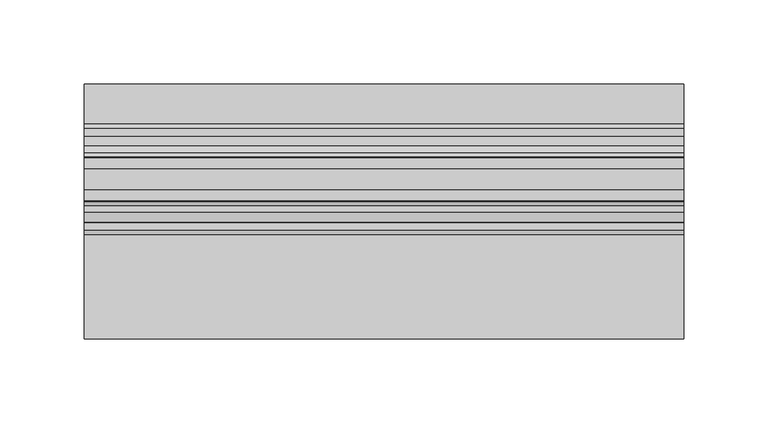
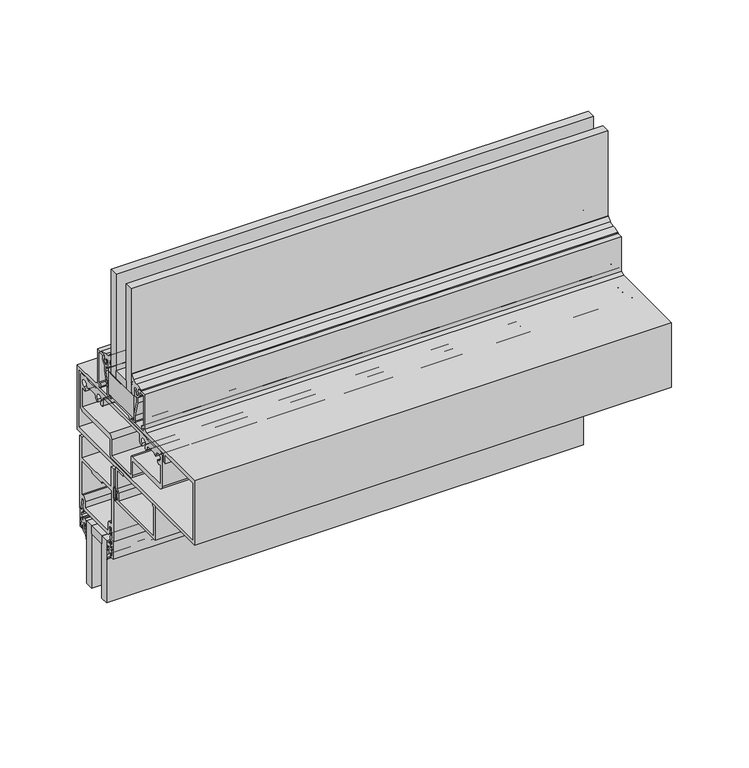
"""IFC4 building model written with IfcOpenShell, lengths in millimetres: plate geometry."""

from ifc_helpers import new_model, si_unit, point, frame, frame_2d, origin, place, context, project, spatial, polyline, circle_curve, trimmed, segment, composite_curve, outline, extrude, source, transform, mapped, element, save


def plate_48356a9e(model_context):
    return source(origin(), model_context, "Body", "SweptSolid", [
        extrude(outline(polyline([(-177.8, -19.05), (-177.8, -6.35), (177.8, -6.35), (177.8, -19.05), (-177.8, -19.05)])), frame((0.0, 0.0, 228.2472153), z_axis=(0.0, 0.0, 1.0), x_axis=(1.0, 0.0, 0.0)), (0.0, 0.0, 1.0), 6.35),
        extrude(outline(polyline([(-28.55976, 352.0722153), (-60.42152, 352.0722153), (-60.30976, 369.5347153), (-28.55976, 369.5347153), (-28.55976, 352.0722153)])), frame((-177.8, 0.0, 0.0), z_axis=(1.0, 0.0, 0.0), x_axis=(0.0, 1.0, 0.0)), (0.0, 0.0, 1.0), 355.6),
        extrude(outline(composite_curve([segment(polyline([(-34.9514484, 282.0069338), (-34.9514484, 274.0820806)]), True, "CONTINUOUS"), segment(trimmed(circle_curve(frame_2d((-36.1452484, 274.0820806)), 1.1938), [point((-34.9514484, 274.0820806))], [point((-37.3390484, 274.0820806))], False, "CARTESIAN"), True, "CONTINUOUS"), segment(polyline([(-37.3390484, 274.0820806), (-37.3390484, 276.0881992), (-38.31675, 276.0881992), (-38.31675, 274.6149992), (-39.2186484, 274.6149992), (-39.2186484, 276.4691992), (-37.7962484, 276.4691992), (-37.7962484, 279.6187992), (-39.2186484, 279.6187992), (-39.2186484, 281.4729992), (-38.31675, 281.4729992), (-38.31675, 279.9997992), (-37.3390484, 279.9997992), (-37.3390484, 282.0069338)]), True, "CONTINUOUS"), segment(trimmed(circle_curve(frame_2d((-36.1452484, 282.0069338)), 1.1938), [point((-37.3390484, 282.0069338))], [point((-34.9514484, 282.0069338))], False, "CARTESIAN"), True, "CONTINUOUS")], self_intersect=False), holes=[composite_curve([segment(trimmed(circle_curve(frame_2d((-36.1452484, 282.0069338)), 0.6858), [point((-35.4594484, 282.0069338))], [point((-36.8310484, 282.0069338))], True, "CARTESIAN"), True, "CONTINUOUS"), segment(polyline([(-36.8310484, 282.0069338), (-36.8310484, 274.0820806)]), True, "CONTINUOUS"), segment(trimmed(circle_curve(frame_2d((-36.1452484, 274.0820806)), 0.6858), [point((-36.8310484, 274.0820806))], [point((-35.4594484, 274.0820806))], True, "CARTESIAN"), True, "CONTINUOUS"), segment(polyline([(-35.4594484, 274.0820806), (-35.4594484, 282.0069338)]), True, "CONTINUOUS")], self_intersect=False)]), frame((-177.8, 0.0, 0.0), z_axis=(1.0, 0.0, 0.0), x_axis=(0.0, 1.0, 0.0)), (0.0, 0.0, 1.0), 355.6),
        extrude(outline(polyline([(-177.8, -50.78476), (-177.8, -38.08476), (177.8, -38.08476), (177.8, -50.78476), (-177.8, -50.78476)])), frame((0.0, 0.0, 369.5347153), z_axis=(0.0, 0.0, 1.0), x_axis=(1.0, 0.0, 0.0)), (0.0, 0.0, 1.0), 6.35),
        extrude(outline(polyline([(-177.8, -38.08476), (-177.8, -31.73476), (177.8, -31.73476), (177.8, -38.08476), (-177.8, -38.08476)])), frame((0.0, 0.0, 369.5347153), z_axis=(0.0, 0.0, 1.0), x_axis=(1.0, 0.0, 0.0)), (0.0, 0.0, 1.0), 82.55),
        extrude(outline(polyline([(-177.8, -57.13476), (-177.8, -50.78476), (177.8, -50.78476), (177.8, -57.13476), (-177.8, -57.13476)])), frame((0.0, 0.0, 369.5347153), z_axis=(0.0, 0.0, 1.0), x_axis=(1.0, 0.0, 0.0)), (0.0, 0.0, 1.0), 82.55),
        extrude(outline(composite_curve([segment(trimmed(circle_curve(frame_2d((-26.53284, 376.8225309)), 0.508), [point((-27.04084, 376.8225309))], [point((-26.53284, 377.3305309))], False, "CARTESIAN"), True, "CONTINUOUS"), segment(polyline([(-26.53284, 377.3305309), (-25.28824, 377.3305309), (-25.28824, 376.5177309), (-26.0744494, 376.5177309), (-26.0744494, 375.7170136), (-25.366918, 372.4938153), (-23.89124, 372.4938153), (-22.01164, 374.3663756), (-22.01164, 376.4562153), (-22.9245776, 376.4562153), (-22.0094079, 379.0597153), (-14.34084, 379.0597153), (-14.34084, 352.0737406), (-16.8499731, 352.0737406), (-16.0527957, 350.6967979), (-16.7337794, 350.0158142)]), True, "CONTINUOUS"), segment(trimmed(circle_curve(frame_2d((-17.0908829, 350.3771189)), 0.508), [point((-16.7337794, 350.0158142))], [point((-17.5681526, 350.2031143))], False, "CARTESIAN"), True, "CONTINUOUS"), segment(polyline([(-17.5681526, 350.2031143), (-18.0039712, 351.3985022)]), True, "CONTINUOUS"), segment(trimmed(circle_curve(frame_2d((-16.6437524, 351.8944153)), 1.4478), [point((-18.0039712, 351.3985022))], [point((-16.6437524, 353.3422153))], False, "CARTESIAN"), True, "CONTINUOUS"), segment(polyline([(-16.6437524, 353.3422153), (-15.61084, 353.3422153), (-15.61084, 377.7897153), (-20.10664, 377.7897153)]), True, "CONTINUOUS"), segment(trimmed(circle_curve(frame_2d((-20.10664, 377.1547153)), 0.635), [point((-20.10664, 377.7897153))], [point((-20.74164, 377.1547153))], True, "CARTESIAN"), True, "CONTINUOUS"), segment(polyline([(-20.74164, 377.1547153), (-20.74164, 374.6354421)]), True, "CONTINUOUS"), segment(trimmed(circle_curve(frame_2d((-22.64664, 374.6354421)), 1.905), [point((-20.74164, 374.6354421))], [point((-21.2996016, 373.2884037))], False, "CARTESIAN"), True, "CONTINUOUS"), segment(polyline([(-21.2996016, 373.2884037), (-23.2309035, 371.3571018), (-23.2309035, 367.2949535), (-26.4249535, 355.5538035), (-26.4249535, 350.8784153)]), True, "CONTINUOUS"), segment(trimmed(circle_curve(frame_2d((-27.6949535, 350.8784153)), 1.27), [point((-26.4249535, 350.8784153))], [point((-27.6949535, 349.6084153))], False, "CARTESIAN"), True, "CONTINUOUS"), segment(polyline([(-27.6949535, 349.6084153), (-30.8636035, 349.6084153)]), True, "CONTINUOUS"), segment(trimmed(circle_curve(frame_2d((-30.8636035, 349.9894153)), 0.381), [point((-30.8636035, 349.6084153))], [point((-30.9828618, 350.3512695))], False, "CARTESIAN"), True, "CONTINUOUS"), segment(polyline([(-30.9828618, 350.3512695), (-27.6949535, 351.2340153), (-27.6949535, 355.7234653), (-24.5009035, 367.4646153), (-24.5009035, 371.4754927), (-26.07564, 371.4754927), (-26.07564, 370.6650153)]), True, "CONTINUOUS"), segment(trimmed(circle_curve(frame_2d((-26.07564, 371.6302153)), 0.9652), [point((-26.07564, 370.6650153))], [point((-27.04084, 371.6302153))], False, "CARTESIAN"), True, "CONTINUOUS"), segment(polyline([(-27.04084, 371.6302153), (-27.04084, 376.8225309)]), True, "CONTINUOUS")], self_intersect=False)), frame((-177.8, 0.0, 0.0), z_axis=(1.0, 0.0, 0.0), x_axis=(0.0, 1.0, 0.0)), (0.0, 0.0, 1.0), 355.6),
        extrude(outline(composite_curve([segment(polyline([(-61.8998, 376.8225309), (-61.8998, 371.6302153)]), True, "CONTINUOUS"), segment(trimmed(circle_curve(frame_2d((-62.865, 371.6302153)), 0.9652), [point((-61.8998, 371.6302153))], [point((-62.865, 370.6650153))], False, "CARTESIAN"), True, "CONTINUOUS"), segment(polyline([(-62.865, 370.6650153), (-62.865, 371.4754927), (-64.4397365, 371.4754927), (-64.4397365, 367.4646153), (-61.2456865, 355.7234653), (-61.2456865, 351.2340153), (-57.9577782, 350.3512695)]), True, "CONTINUOUS"), segment(trimmed(circle_curve(frame_2d((-58.0770365, 349.9894153)), 0.381), [point((-57.9577782, 350.3512695))], [point((-58.0770365, 349.6084153))], False, "CARTESIAN"), True, "CONTINUOUS"), segment(polyline([(-58.0770365, 349.6084153), (-61.2456865, 349.6084153)]), True, "CONTINUOUS"), segment(trimmed(circle_curve(frame_2d((-61.2456865, 350.8784153)), 1.27), [point((-61.2456865, 349.6084153))], [point((-62.5156865, 350.8784153))], False, "CARTESIAN"), True, "CONTINUOUS"), segment(polyline([(-62.5156865, 350.8784153), (-62.5156865, 355.5538035), (-65.7097365, 367.2949535), (-65.7097365, 371.3571018), (-67.6410384, 373.2884037)]), True, "CONTINUOUS"), segment(trimmed(circle_curve(frame_2d((-66.294, 374.6354421)), 1.905), [point((-67.6410384, 373.2884037))], [point((-68.199, 374.6354421))], False, "CARTESIAN"), True, "CONTINUOUS"), segment(polyline([(-68.199, 374.6354421), (-68.199, 377.1547153)]), True, "CONTINUOUS"), segment(trimmed(circle_curve(frame_2d((-68.834, 377.1547153)), 0.635), [point((-68.199, 377.1547153))], [point((-68.834, 377.7897153))], True, "CARTESIAN"), True, "CONTINUOUS"), segment(polyline([(-68.834, 377.7897153), (-73.3298, 377.7897153), (-73.3298, 353.3422153), (-72.2968876, 353.3422153)]), True, "CONTINUOUS"), segment(trimmed(circle_curve(frame_2d((-72.2968876, 351.8944153)), 1.4478), [point((-72.2968876, 353.3422153))], [point((-70.9366688, 351.3985022))], False, "CARTESIAN"), True, "CONTINUOUS"), segment(polyline([(-70.9366688, 351.3985022), (-71.3724874, 350.2031143)]), True, "CONTINUOUS"), segment(trimmed(circle_curve(frame_2d((-71.8497571, 350.3771189)), 0.508), [point((-71.3724874, 350.2031143))], [point((-72.2068606, 350.0158142))], False, "CARTESIAN"), True, "CONTINUOUS"), segment(polyline([(-72.2068606, 350.0158142), (-72.8878443, 350.6967979), (-72.0906669, 352.0737406), (-74.5998, 352.0737406), (-74.5998, 379.0597153), (-66.9312321, 379.0597153), (-66.0160624, 376.4562153), (-66.929, 376.4562153), (-66.929, 374.3663756), (-65.0494, 372.4938153), (-63.573722, 372.4938153), (-62.8661906, 375.7170136), (-62.8661906, 376.5177309), (-63.6524, 376.5177309), (-63.6524, 377.3305309), (-62.4078, 377.3305309)]), True, "CONTINUOUS"), segment(trimmed(circle_curve(frame_2d((-62.4078, 376.8225309)), 0.508), [point((-62.4078, 377.3305309))], [point((-61.8998, 376.8225309))], False, "CARTESIAN"), True, "CONTINUOUS")], self_intersect=False)), frame((-177.8, 0.0, 0.0), z_axis=(1.0, 0.0, 0.0), x_axis=(0.0, 1.0, 0.0)), (0.0, 0.0, 1.0), 355.6),
        extrude(outline(composite_curve([segment(trimmed(circle_curve(frame_2d((-41.3231693, 374.5867579)), 11.8511576), [point((-29.7708477, 377.2313378))], [point((-30.3269833, 379.0064672))], True, "CARTESIAN"), True, "CONTINUOUS"), segment(polyline([(-30.3269833, 379.0064672), (-31.3049643, 380.528582)]), True, "CONTINUOUS"), segment(trimmed(circle_curve(frame_2d((-29.6975601, 381.7608857)), 2.0254186), [point((-31.3049643, 380.528582))], [point((-31.7203248, 381.6572349))], False, "CARTESIAN"), True, "CONTINUOUS"), segment(polyline([(-31.7203248, 381.6572349), (-31.7604501, 384.9398531)]), True, "CONTINUOUS"), segment(trimmed(circle_curve(frame_2d((-31.3635751, 384.9398531)), 0.396875), [point((-31.7604501, 384.9398531))], [point((-31.1017191, 385.2380832))], False, "CARTESIAN"), True, "CONTINUOUS"), segment(polyline([(-31.1017191, 385.2380832), (-28.6746142, 382.4201915)]), True, "CONTINUOUS"), segment(trimmed(circle_curve(frame_2d((-25.3990316, 385.8820309)), 4.765897), [point((-28.6746142, 382.4201915))], [point((-24.773541, 381.1573579))], True, "CARTESIAN"), True, "CONTINUOUS"), segment(trimmed(circle_curve(frame_2d((-24.3996105, 368.9668204)), 12.196271), [point((-24.773541, 381.1573579))], [point((-18.8809594, 379.8431028))], False, "CARTESIAN"), True, "CONTINUOUS"), segment(polyline([(-18.8809594, 379.8431028), (-18.6246596, 379.0554604), (-20.5437533, 379.1311821), (-22.168156, 379.0012681), (-23.0295405, 376.2948547), (-22.2436855, 376.1701754), (-23.1142597, 375.1755258), (-22.3637178, 374.9366468), (-23.8643895, 373.1755062), (-25.4974971, 374.6122187), (-24.7156286, 375.1533533), (-25.5440369, 376.0998275), (-24.5686701, 376.2217125), (-25.1259663, 377.5835919), (-26.988974, 377.5835919), (-26.988974, 375.1527405)]), True, "CONTINUOUS"), segment(trimmed(circle_curve(frame_2d((-44.4519506, 376.4603355)), 17.5118633), [point((-26.988974, 375.1527405))], [point((-28.0362785, 370.3618876))], False, "CARTESIAN"), True, "CONTINUOUS"), segment(trimmed(circle_curve(frame_2d((-29.3394094, 370.8573418)), 1.3941395), [point((-28.0362785, 370.3618876))], [point((-30.6425403, 370.3618876))], False, "CARTESIAN"), True, "CONTINUOUS"), segment(trimmed(circle_curve(frame_2d((-12.6037128, 376.9366907)), 19.1996701), [point((-30.6425403, 370.3618876))], [point((-31.7203248, 375.1527405))], False, "CARTESIAN"), True, "CONTINUOUS"), segment(polyline([(-31.7203248, 375.1527405), (-31.7203248, 378.5625793)]), True, "CONTINUOUS"), segment(trimmed(circle_curve(frame_2d((-31.3978395, 378.5509624)), 0.3226944), [point((-31.7203248, 378.5625793))], [point((-31.0890698, 378.4571917))], False, "CARTESIAN"), True, "CONTINUOUS"), segment(polyline([(-31.0890698, 378.4571917), (-30.0112297, 374.4176171)]), True, "CONTINUOUS"), segment(trimmed(circle_curve(frame_2d((-29.7171669, 374.5499125)), 0.3224516), [point((-30.0112297, 374.4176171))], [point((-29.3978944, 374.5950802))], True, "CARTESIAN"), True, "CONTINUOUS"), segment(polyline([(-29.3978944, 374.5950802), (-29.7708477, 377.2313378)]), True, "CONTINUOUS")], self_intersect=False)), frame((-177.8, 0.0, 0.0), z_axis=(1.0, 0.0, 0.0), x_axis=(0.0, 1.0, 0.0)), (0.0, 0.0, 1.0), 355.6),
        extrude(outline(composite_curve([segment(polyline([(-59.1575003, 377.2313378), (-59.5304536, 374.5950802)]), True, "CONTINUOUS"), segment(trimmed(circle_curve(frame_2d((-59.2111811, 374.5499125)), 0.3224516), [point((-59.5304536, 374.5950802))], [point((-58.9171182, 374.4176171))], True, "CARTESIAN"), True, "CONTINUOUS"), segment(polyline([(-58.9171182, 374.4176171), (-57.8392782, 378.4571917)]), True, "CONTINUOUS"), segment(trimmed(circle_curve(frame_2d((-57.5305084, 378.5509624)), 0.3226944), [point((-57.8392782, 378.4571917))], [point((-57.2080232, 378.5625793))], False, "CARTESIAN"), True, "CONTINUOUS"), segment(polyline([(-57.2080232, 378.5625793), (-57.2080232, 375.1527405)]), True, "CONTINUOUS"), segment(trimmed(circle_curve(frame_2d((-76.3246351, 376.9366907)), 19.1996701), [point((-57.2080232, 375.1527405))], [point((-58.2858077, 370.3618876))], False, "CARTESIAN"), True, "CONTINUOUS"), segment(trimmed(circle_curve(frame_2d((-59.5889386, 370.8573418)), 1.3941395), [point((-58.2858077, 370.3618876))], [point((-60.8920694, 370.3618876))], False, "CARTESIAN"), True, "CONTINUOUS"), segment(trimmed(circle_curve(frame_2d((-44.4763974, 376.4603355)), 17.5118633), [point((-60.8920694, 370.3618876))], [point((-61.939374, 375.1527405))], False, "CARTESIAN"), True, "CONTINUOUS"), segment(polyline([(-61.939374, 375.1527405), (-61.939374, 377.5835919), (-63.8023816, 377.5835919), (-64.3596778, 376.2217125), (-63.3843111, 376.0998275), (-64.2127194, 375.1533533), (-63.4308508, 374.6122187), (-65.0639585, 373.1755062), (-66.5646302, 374.9366468), (-65.8140882, 375.1755258), (-66.6846624, 376.1701754), (-65.8988075, 376.2948547), (-66.760192, 379.0012681), (-68.3845946, 379.1311821), (-70.3036883, 379.0554604), (-70.0473886, 379.8431028)]), True, "CONTINUOUS"), segment(trimmed(circle_curve(frame_2d((-64.5287375, 368.9668204)), 12.196271), [point((-70.0473886, 379.8431028))], [point((-64.154807, 381.1573579))], False, "CARTESIAN"), True, "CONTINUOUS"), segment(trimmed(circle_curve(frame_2d((-63.5293164, 385.8820309)), 4.765897), [point((-64.154807, 381.1573579))], [point((-60.2537337, 382.4201915))], True, "CARTESIAN"), True, "CONTINUOUS"), segment(polyline([(-60.2537337, 382.4201915), (-57.8266289, 385.2380832)]), True, "CONTINUOUS"), segment(trimmed(circle_curve(frame_2d((-57.5647728, 384.9398531)), 0.396875), [point((-57.8266289, 385.2380832))], [point((-57.1678978, 384.9398531))], False, "CARTESIAN"), True, "CONTINUOUS"), segment(polyline([(-57.1678978, 384.9398531), (-57.2080232, 381.6572349)]), True, "CONTINUOUS"), segment(trimmed(circle_curve(frame_2d((-59.2307879, 381.7608857)), 2.0254186), [point((-57.2080232, 381.6572349))], [point((-57.6233837, 380.528582))], False, "CARTESIAN"), True, "CONTINUOUS"), segment(polyline([(-57.6233837, 380.528582), (-58.6013647, 379.0064672)]), True, "CONTINUOUS"), segment(trimmed(circle_curve(frame_2d((-47.6051787, 374.5867579)), 11.8511576), [point((-58.6013647, 379.0064672))], [point((-59.1575003, 377.2313378))], True, "CARTESIAN"), True, "CONTINUOUS")], self_intersect=False)), frame((-177.8, 0.0, 0.0), z_axis=(1.0, 0.0, 0.0), x_axis=(0.0, 1.0, 0.0)), (0.0, 0.0, 1.0), 355.6),
        extrude(outline(polyline([(-177.8, -6.35), (-177.8, 0.0), (177.8, 0.0), (177.8, -6.35), (-177.8, -6.35)])), frame((0.0, 0.0, 185.3847153), z_axis=(0.0, 0.0, 1.0), x_axis=(1.0, 0.0, 0.0)), (0.0, 0.0, 1.0), 49.2125),
        extrude(outline(polyline([(-177.8, -25.4), (-177.8, -19.05), (177.8, -19.05), (177.8, -25.4), (-177.8, -25.4)])), frame((0.0, 0.0, 185.3847153), z_axis=(0.0, 0.0, 1.0), x_axis=(1.0, 0.0, 0.0)), (0.0, 0.0, 1.0), 49.2125),
        extrude(outline(composite_curve([segment(polyline([(1.2146236, 224.1668549), (3.6195019, 226.441875), (3.6195019, 229.8085062)]), True, "CONTINUOUS"), segment(trimmed(circle_curve(frame_2d((3.9370017, 230.1634821)), 0.47625), [point((3.6195019, 229.8085062))], [point((3.619501, 230.5184573))], True, "CARTESIAN"), True, "CONTINUOUS"), segment(polyline([(3.619501, 230.5184573), (3.619501, 232.1014932)]), True, "CONTINUOUS"), segment(trimmed(circle_curve(frame_2d((3.1116463, 230.6961156)), 1.4943235), [point((3.619501, 232.1014932))], [point((1.6174209, 230.7132378))], True, "CARTESIAN"), True, "CONTINUOUS"), segment(polyline([(1.6174209, 230.7132378), (0.5798898, 227.3784529)]), True, "CONTINUOUS"), segment(trimmed(circle_curve(frame_2d((0.2963183, 227.4666787)), 0.2969791), [point((0.5798898, 227.3784529))], [point((0.0, 227.4468787))], False, "CARTESIAN"), True, "CONTINUOUS"), segment(polyline([(0.0, 227.4468787), (0.0, 231.4945487)]), True, "CONTINUOUS"), segment(trimmed(circle_curve(frame_2d((2.8819649, 231.6470304)), 2.8859959), [point((0.0, 231.4945487))], [point((2.7993723, 234.5318442))], False, "CARTESIAN"), True, "CONTINUOUS"), segment(polyline([(2.7993723, 234.5318442), (3.619501, 234.5553246), (4.7625003, 234.5553246), (4.7625003, 231.6366833), (6.1341013, 231.6366833), (6.1341013, 232.9495122)]), True, "CONTINUOUS"), segment(trimmed(circle_curve(frame_2d((6.4896997, 233.2368817)), 0.4571996), [point((6.1341013, 232.9495122))], [point((6.9468994, 233.2368817))], False, "CARTESIAN"), True, "CONTINUOUS"), segment(polyline([(6.9468994, 233.2368817), (6.9468994, 231.1690889)]), True, "CONTINUOUS"), segment(trimmed(circle_curve(frame_2d((6.4706494, 231.1186463)), 0.4789139), [point((6.9468994, 231.1690889))], [point((6.4706494, 230.6397324))], False, "CARTESIAN"), True, "CONTINUOUS"), segment(trimmed(circle_curve(frame_2d((6.4706494, 230.1634824)), 0.47625), [point((6.4706494, 230.6397324))], [point((6.4706494, 229.6872324))], True, "CARTESIAN"), True, "CONTINUOUS"), segment(trimmed(circle_curve(frame_2d((6.3248962, 229.0825474)), 0.6220032), [point((6.4706494, 229.6872324))], [point((6.9468994, 229.0825474))], False, "CARTESIAN"), True, "CONTINUOUS"), segment(polyline([(6.9468994, 229.0825474), (6.9468994, 227.090083)]), True, "CONTINUOUS"), segment(trimmed(circle_curve(frame_2d((6.4896997, 227.090083)), 0.4571996), [point((6.9468994, 227.090083))], [point((6.134102, 227.3774534))], False, "CARTESIAN"), True, "CONTINUOUS"), segment(polyline([(6.134102, 227.3774534), (6.134102, 228.6902967), (4.7625003, 228.6902967), (4.7625003, 224.8186093), (1.4889495, 222.3173972)]), True, "CONTINUOUS"), segment(trimmed(circle_curve(frame_2d((3.0879023, 220.3444968)), 2.5394854), [point((1.4889495, 222.3173972))], [point((0.5496136, 220.2665423))], True, "CARTESIAN"), True, "CONTINUOUS"), segment(trimmed(circle_curve(frame_2d((0.2748716, 220.2581045)), 0.2748716), [point((0.5496136, 220.2665423))], [point((0.0, 220.2581045))], False, "CARTESIAN"), True, "CONTINUOUS"), segment(polyline([(0.0, 220.2581045), (0.0, 221.9713282)]), True, "CONTINUOUS"), segment(trimmed(circle_curve(frame_2d((3.0412561, 221.7225691)), 3.0514128), [point((0.0, 221.9713282))], [point((1.2146236, 224.1668549))], False, "CARTESIAN"), True, "CONTINUOUS")], self_intersect=False)), frame((-177.8, 0.0, 0.0), z_axis=(1.0, 0.0, 0.0), x_axis=(0.0, 1.0, 0.0)), (0.0, 0.0, 1.0), 355.6),
        extrude(outline(composite_curve([segment(trimmed(circle_curve(frame_2d((-28.4412561, 221.7225691)), 3.0514128), [point((-26.6146236, 224.1668549))], [point((-25.4, 221.9713282))], False, "CARTESIAN"), True, "CONTINUOUS"), segment(polyline([(-25.4, 221.9713282), (-25.4, 220.2581045)]), True, "CONTINUOUS"), segment(trimmed(circle_curve(frame_2d((-25.6748716, 220.2581045)), 0.2748716), [point((-25.4, 220.2581045))], [point((-25.9496136, 220.2665423))], False, "CARTESIAN"), True, "CONTINUOUS"), segment(trimmed(circle_curve(frame_2d((-28.4879023, 220.3444968)), 2.5394854), [point((-25.9496136, 220.2665423))], [point((-26.8889495, 222.3173972))], True, "CARTESIAN"), True, "CONTINUOUS"), segment(polyline([(-26.8889495, 222.3173972), (-30.1625003, 224.8186093), (-30.1625003, 228.6902967), (-31.534102, 228.6902967), (-31.534102, 227.3774534)]), True, "CONTINUOUS"), segment(trimmed(circle_curve(frame_2d((-31.8896997, 227.090083)), 0.4571996), [point((-31.534102, 227.3774534))], [point((-32.3468994, 227.090083))], False, "CARTESIAN"), True, "CONTINUOUS"), segment(polyline([(-32.3468994, 227.090083), (-32.3468994, 229.0825474)]), True, "CONTINUOUS"), segment(trimmed(circle_curve(frame_2d((-31.7248962, 229.0825474)), 0.6220032), [point((-32.3468994, 229.0825474))], [point((-31.8706494, 229.6872324))], False, "CARTESIAN"), True, "CONTINUOUS"), segment(trimmed(circle_curve(frame_2d((-31.8706494, 230.1634824)), 0.47625), [point((-31.8706494, 229.6872324))], [point((-31.8706494, 230.6397324))], True, "CARTESIAN"), True, "CONTINUOUS"), segment(trimmed(circle_curve(frame_2d((-31.8706494, 231.1186463)), 0.4789139), [point((-31.8706494, 230.6397324))], [point((-32.3468994, 231.1690889))], False, "CARTESIAN"), True, "CONTINUOUS"), segment(polyline([(-32.3468994, 231.1690889), (-32.3468994, 233.2368817)]), True, "CONTINUOUS"), segment(trimmed(circle_curve(frame_2d((-31.8896997, 233.2368817)), 0.4571996), [point((-32.3468994, 233.2368817))], [point((-31.5341013, 232.9495122))], False, "CARTESIAN"), True, "CONTINUOUS"), segment(polyline([(-31.5341013, 232.9495122), (-31.5341013, 231.6366833), (-30.1625, 231.6366833), (-30.1625, 234.5553246), (-29.019501, 234.5553246), (-28.1993723, 234.5318442)]), True, "CONTINUOUS"), segment(trimmed(circle_curve(frame_2d((-28.2819649, 231.6470304)), 2.8859959), [point((-28.1993723, 234.5318442))], [point((-25.4, 231.4945487))], False, "CARTESIAN"), True, "CONTINUOUS"), segment(polyline([(-25.4, 231.4945487), (-25.4, 227.4468787)]), True, "CONTINUOUS"), segment(trimmed(circle_curve(frame_2d((-25.6963183, 227.4666787)), 0.2969791), [point((-25.4, 227.4468787))], [point((-25.9798898, 227.3784529))], False, "CARTESIAN"), True, "CONTINUOUS"), segment(polyline([(-25.9798898, 227.3784529), (-27.0174209, 230.7132378)]), True, "CONTINUOUS"), segment(trimmed(circle_curve(frame_2d((-28.5116463, 230.6961156)), 1.4943235), [point((-27.0174209, 230.7132378))], [point((-29.019501, 232.1014932))], True, "CARTESIAN"), True, "CONTINUOUS"), segment(polyline([(-29.019501, 232.1014932), (-29.019501, 230.5184573)]), True, "CONTINUOUS"), segment(trimmed(circle_curve(frame_2d((-29.3370017, 230.1634821)), 0.47625), [point((-29.019501, 230.5184573))], [point((-29.0195019, 229.8085062))], True, "CARTESIAN"), True, "CONTINUOUS"), segment(polyline([(-29.0195019, 229.8085062), (-29.0195019, 226.441875), (-26.6146236, 224.1668549)]), True, "CONTINUOUS")], self_intersect=False)), frame((-177.8, 0.0, 0.0), z_axis=(1.0, 0.0, 0.0), x_axis=(0.0, 1.0, 0.0)), (0.0, 0.0, 1.0), 355.6),
        extrude(outline(composite_curve([segment(polyline([(-34.1276564, 225.054114), (-34.0673249, 239.3189972), (-31.6471876, 239.3189972), (-31.6471876, 240.9511946), (-32.4372227, 240.8401624), (-31.0981976, 248.2731186), (-29.8175355, 248.149978), (-30.9128526, 242.0698506)]), True, "CONTINUOUS"), segment(trimmed(circle_curve(frame_2d((-31.7464064, 240.8551464)), 1.4732), [point((-30.9128526, 242.0698506))], [point((-30.2732064, 240.8551464))], False, "CARTESIAN"), True, "CONTINUOUS"), segment(polyline([(-30.2732064, 240.8551464), (-30.2732064, 239.341614)]), True, "CONTINUOUS"), segment(trimmed(circle_curve(frame_2d((-31.7464064, 239.341614)), 1.4732), [point((-30.2732064, 239.341614))], [point((-31.7464064, 237.868414))], False, "CARTESIAN"), True, "CONTINUOUS"), segment(polyline([(-31.7464064, 237.868414), (-32.6544564, 237.868414), (-32.6544564, 235.087114), (-30.1589064, 235.087114), (-30.1589064, 233.067814)]), True, "CONTINUOUS"), segment(trimmed(circle_curve(frame_2d((-30.9717064, 233.067814)), 0.8128), [point((-30.1589064, 233.067814))], [point((-31.1749064, 232.2808238))], False, "CARTESIAN"), True, "CONTINUOUS"), segment(polyline([(-31.1749064, 232.2808238), (-31.1749064, 233.817114), (-32.5401564, 233.817114), (-32.5401564, 226.324114), (-31.1749064, 226.324114), (-31.1749064, 227.8858042)]), True, "CONTINUOUS"), segment(trimmed(circle_curve(frame_2d((-30.9717064, 227.098814)), 0.8128), [point((-31.1749064, 227.8858042))], [point((-30.1589064, 227.098814))], False, "CARTESIAN"), True, "CONTINUOUS"), segment(polyline([(-30.1589064, 227.098814), (-30.2859064, 225.054114), (-34.1276564, 225.054114)]), True, "CONTINUOUS")], self_intersect=False)), frame((-177.8, 0.0, 0.0), z_axis=(1.0, 0.0, 0.0), x_axis=(0.0, 1.0, 0.0)), (0.0, 0.0, 1.0), 355.6),
        extrude(outline(composite_curve([segment(polyline([(8.7276564, 225.054114), (4.8859064, 225.054114), (4.7589064, 227.098814)]), True, "CONTINUOUS"), segment(trimmed(circle_curve(frame_2d((5.5717064, 227.098814)), 0.8128), [point((4.7589064, 227.098814))], [point((5.7749064, 227.8858042))], False, "CARTESIAN"), True, "CONTINUOUS"), segment(polyline([(5.7749064, 227.8858042), (5.7749064, 226.324114), (7.1401564, 226.324114), (7.1401564, 233.817114), (5.7749064, 233.817114), (5.7749064, 232.2808238)]), True, "CONTINUOUS"), segment(trimmed(circle_curve(frame_2d((5.5717064, 233.067814)), 0.8128), [point((5.7749064, 232.2808238))], [point((4.7589064, 233.067814))], False, "CARTESIAN"), True, "CONTINUOUS"), segment(polyline([(4.7589064, 233.067814), (4.7589064, 235.087114), (7.2544564, 235.087114), (7.2544564, 237.868414), (6.3464064, 237.868414)]), True, "CONTINUOUS"), segment(trimmed(circle_curve(frame_2d((6.3464064, 239.341614)), 1.4732), [point((6.3464064, 237.868414))], [point((4.8732064, 239.341614))], False, "CARTESIAN"), True, "CONTINUOUS"), segment(polyline([(4.8732064, 239.341614), (4.8732064, 240.8551464)]), True, "CONTINUOUS"), segment(trimmed(circle_curve(frame_2d((6.3464064, 240.8551464)), 1.4732), [point((4.8732064, 240.8551464))], [point((5.5128526, 242.0698506))], False, "CARTESIAN"), True, "CONTINUOUS"), segment(polyline([(5.5128526, 242.0698506), (4.4175355, 248.149978), (5.6981976, 248.2731186), (7.0372227, 240.8401624), (6.2471876, 240.9511946), (6.2471876, 239.3189972), (8.6673249, 239.3189972), (8.7276564, 225.054114)]), True, "CONTINUOUS")], self_intersect=False)), frame((-177.8, 0.0, 0.0), z_axis=(1.0, 0.0, 0.0), x_axis=(0.0, 1.0, 0.0)), (0.0, 0.0, 1.0), 355.6),
        extrude(outline(composite_curve([segment(trimmed(circle_curve(frame_2d((-37.7503057, 280.7617153)), 0.4318), [point((-37.3185057, 280.7617153))], [point((-38.1499445, 280.9252391))], False, "CARTESIAN"), True, "CONTINUOUS"), segment(trimmed(circle_curve(frame_2d((-38.7270055, 281.1613602)), 0.6235002), [point((-38.1499445, 280.9252391))], [point((-39.3505057, 281.1613602))], True, "CARTESIAN"), True, "CONTINUOUS"), segment(polyline([(-39.3505057, 281.1613602), (-39.3505057, 274.8689153)]), True, "CONTINUOUS"), segment(trimmed(circle_curve(frame_2d((-38.7375622, 274.9629884)), 0.6201205), [point((-39.3505057, 274.8689153))], [point((-38.155562, 275.1770563))], True, "CARTESIAN"), True, "CONTINUOUS"), segment(trimmed(circle_curve(frame_2d((-37.7503057, 275.3261153)), 0.4318), [point((-38.155562, 275.1770563))], [point((-37.3185057, 275.3261153))], False, "CARTESIAN"), True, "CONTINUOUS"), segment(polyline([(-37.3185057, 275.3261153), (-37.3185057, 273.4973153)]), True, "CONTINUOUS"), segment(trimmed(circle_curve(frame_2d((-38.1059057, 273.4973153)), 0.7874), [point((-37.3185057, 273.4973153))], [point((-38.1059057, 272.7099153))], False, "CARTESIAN"), True, "CONTINUOUS"), segment(polyline([(-38.1059057, 272.7099153), (-88.1185431, 272.7099153), (-88.1185431, 299.6847153), (-84.9588588, 299.6847153), (-84.9588588, 298.1099153), (-86.5437431, 298.1099153), (-86.5437431, 275.0975153), (-40.9406588, 275.0975153), (-40.9406588, 281.2189153)]), True, "CONTINUOUS"), segment(trimmed(circle_curve(frame_2d((-38.7816588, 281.2189153)), 2.159), [point((-40.9406588, 281.2189153))], [point((-38.9086588, 283.3741768))], False, "CARTESIAN"), True, "CONTINUOUS"), segment(polyline([(-38.9086588, 283.3741768), (-38.9086588, 298.1099153), (-46.8435431, 298.1099153), (-46.8435431, 299.6847153), (-37.3185057, 299.6847153), (-37.3185057, 280.7617153)]), True, "CONTINUOUS")], self_intersect=False)), frame((-177.8, 0.0, 0.0), z_axis=(1.0, 0.0, 0.0), x_axis=(0.0, 1.0, 0.0)), (0.0, 0.0, 1.0), 355.6),
        extrude(outline(composite_curve([segment(polyline([(6.35, 280.6347153), (6.35, 296.5097153), (9.1948, 296.5097153), (9.1948, 239.3153905), (6.35, 239.3153905), (6.35, 240.5853905), (7.1627949, 240.5853905), (6.7499992, 248.8149905), (4.3688, 248.8149905), (4.3688, 242.4840685)]), True, "CONTINUOUS"), segment(trimmed(circle_curve(frame_2d((2.794, 242.4840685)), 1.5748), [point((4.3688, 242.4840685))], [point((2.794, 240.9092685))], False, "CARTESIAN"), True, "CONTINUOUS"), segment(polyline([(2.794, 240.9092685), (-26.5938, 240.9092685)]), True, "CONTINUOUS"), segment(trimmed(circle_curve(frame_2d((-26.5938, 244.0843681)), 3.1750996), [point((-26.5938, 240.9092685))], [point((-29.7688, 244.1095153))], False, "CARTESIAN"), True, "CONTINUOUS"), segment(polyline([(-29.7688, 244.1095153), (-29.7688, 248.8466153), (-32.15005, 248.8466153), (-32.5628, 240.6170153), (-31.75, 240.6170153), (-31.75, 239.3470153), (-34.5948, 239.3470153), (-34.5948, 296.4970153), (-31.75, 296.4970153), (-31.75, 280.6347153), (6.35, 280.6347153)]), True, "CONTINUOUS")], self_intersect=False), holes=[composite_curve([segment(polyline([(6.0198, 252.0216153), (6.0198, 277.4470153), (-4.7625, 277.4470153)]), True, "CONTINUOUS"), segment(trimmed(circle_curve(frame_2d((-4.7625, 275.8595153)), 1.5875), [point((-4.7625, 277.4470153))], [point((-6.35, 275.8595153))], True, "CARTESIAN"), True, "CONTINUOUS"), segment(polyline([(-6.35, 275.8595153), (-19.05, 275.8595153)]), True, "CONTINUOUS"), segment(trimmed(circle_curve(frame_2d((-20.6375, 275.8595153)), 1.5875), [point((-19.05, 275.8595153))], [point((-20.6375, 277.4470153))], True, "CARTESIAN"), True, "CONTINUOUS"), segment(polyline([(-20.6375, 277.4470153), (-31.4198, 277.4470153), (-31.4198, 252.0216153), (-30.1752, 252.0216153)]), True, "CONTINUOUS"), segment(trimmed(circle_curve(frame_2d((-30.1752, 248.8466153)), 3.175), [point((-30.1752, 252.0216153))], [point((-27.0002, 248.8466153))], False, "CARTESIAN"), True, "CONTINUOUS"), segment(polyline([(-27.0002, 248.8466153), (-27.0002, 244.1095153), (1.6002, 244.1095153), (1.6002, 248.8466153)]), True, "CONTINUOUS"), segment(trimmed(circle_curve(frame_2d((4.7752, 248.8466153)), 3.175), [point((1.6002, 248.8466153))], [point((4.7752, 252.0216153))], False, "CARTESIAN"), True, "CONTINUOUS"), segment(polyline([(4.7752, 252.0216153), (6.0198, 252.0216153)]), True, "CONTINUOUS")], self_intersect=False)]), frame((-177.8, 0.0, 0.0), z_axis=(1.0, 0.0, 0.0), x_axis=(0.0, 1.0, 0.0)), (0.0, 0.0, 1.0), 355.6),
        extrude(outline(composite_curve([segment(polyline([(-76.26604, 347.3097153), (-12.76604, 347.3097153), (-11.19124, 345.7349153), (-1.65354, 345.7349153), (-0.06604, 347.3097153), (5.01142, 347.3097153)]), True, "CONTINUOUS"), segment(trimmed(circle_curve(frame_2d((5.01142, 344.1347153)), 3.175), [point((5.01142, 347.3097153))], [point((8.18642, 344.1347153))], False, "CARTESIAN"), True, "CONTINUOUS"), segment(polyline([(8.18642, 344.1347153), (8.18642, 320.6651153)]), True, "CONTINUOUS"), segment(trimmed(circle_curve(frame_2d((5.01142, 320.6651153)), 3.175), [point((8.18642, 320.6651153))], [point((5.01142, 317.4901153))], False, "CARTESIAN"), True, "CONTINUOUS"), segment(polyline([(5.01142, 317.4901153), (-30.29204, 317.4901153), (-30.29204, 305.6537153)]), True, "CONTINUOUS"), segment(trimmed(circle_curve(frame_2d((-32.67964, 305.6537153)), 2.3876), [point((-30.29204, 305.6537153))], [point((-32.67964, 303.2661153))], False, "CARTESIAN"), True, "CONTINUOUS"), segment(polyline([(-32.67964, 303.2661153), (-56.35244, 303.2661153)]), True, "CONTINUOUS"), segment(trimmed(circle_curve(frame_2d((-56.35244, 305.6537153)), 2.3876), [point((-56.35244, 303.2661153))], [point((-58.74004, 305.6537153))], False, "CARTESIAN"), True, "CONTINUOUS"), segment(polyline([(-58.74004, 305.6537153), (-58.74004, 317.4901153), (-94.04858, 317.4901153)]), True, "CONTINUOUS"), segment(trimmed(circle_curve(frame_2d((-94.04858, 320.6651153)), 3.175), [point((-94.04858, 317.4901153))], [point((-97.22358, 320.6651153))], False, "CARTESIAN"), True, "CONTINUOUS"), segment(polyline([(-97.22358, 320.6651153), (-97.22358, 344.1347153)]), True, "CONTINUOUS"), segment(trimmed(circle_curve(frame_2d((-94.04858, 344.1347153)), 3.175), [point((-97.22358, 344.1347153))], [point((-94.04858, 347.3097153))], False, "CARTESIAN"), True, "CONTINUOUS"), segment(polyline([(-94.04858, 347.3097153), (-88.96604, 347.3097153), (-87.39124, 345.7349153), (-77.84084, 345.7349153), (-76.26604, 347.3097153)]), True, "CONTINUOUS")], self_intersect=False), holes=[composite_curve([segment(polyline([(-79.3455542, 340.6549153), (-86.4810901, 340.6549153)]), True, "CONTINUOUS"), segment(trimmed(circle_curve(frame_2d((-88.0261765, 340.9597153)), 1.5748635), [point((-86.4810901, 340.6549153))], [point((-89.60104, 340.9597153))], False, "CARTESIAN"), True, "CONTINUOUS"), segment(trimmed(circle_curve(frame_2d((-92.14104, 340.9597153)), 2.54), [point((-89.60104, 340.9597153))], [point((-92.14104, 338.4197153))], True, "CARTESIAN"), True, "CONTINUOUS"), segment(trimmed(circle_curve(frame_2d((-92.14104, 336.8448518)), 1.5748635), [point((-92.14104, 338.4197153))], [point((-92.14104, 335.2699883))], False, "CARTESIAN"), True, "CONTINUOUS"), segment(trimmed(circle_curve(frame_2d((-92.14104, 340.9597153)), 5.689727), [point((-92.14104, 335.2699883))], [point((-94.45498, 335.7617662))], False, "CARTESIAN"), True, "CONTINUOUS"), segment(polyline([(-94.45498, 335.7617662), (-94.45498, 321.4525153), (-59.52744, 321.4525153)]), True, "CONTINUOUS"), segment(trimmed(circle_curve(frame_2d((-59.52744, 318.2775153)), 3.175), [point((-59.52744, 321.4525153))], [point((-56.35244, 318.2775153))], False, "CARTESIAN"), True, "CONTINUOUS"), segment(polyline([(-56.35244, 318.2775153), (-56.35244, 305.6537153), (-32.67964, 305.6537153), (-32.67964, 318.2775153)]), True, "CONTINUOUS"), segment(trimmed(circle_curve(frame_2d((-29.50464, 318.2775153)), 3.175), [point((-32.67964, 318.2775153))], [point((-29.50464, 321.4525153))], False, "CARTESIAN"), True, "CONTINUOUS"), segment(polyline([(-29.50464, 321.4525153), (5.41782, 321.4525153), (5.41782, 335.7617662)]), True, "CONTINUOUS"), segment(trimmed(circle_curve(frame_2d((3.10388, 340.9597153)), 5.689727), [point((5.41782, 335.7617662))], [point((3.10388, 335.2699883))], False, "CARTESIAN"), True, "CONTINUOUS"), segment(trimmed(circle_curve(frame_2d((3.10388, 336.8448518)), 1.5748635), [point((3.10388, 335.2699883))], [point((3.10388, 338.4197153))], False, "CARTESIAN"), True, "CONTINUOUS"), segment(trimmed(circle_curve(frame_2d((3.10388, 340.9597153)), 2.54), [point((3.10388, 338.4197153))], [point((0.56388, 340.9597153))], True, "CARTESIAN"), True, "CONTINUOUS"), segment(trimmed(circle_curve(frame_2d((-1.0109835, 340.9597153)), 1.5748635), [point((0.56388, 340.9597153))], [point((-2.5560699, 340.6549153))], False, "CARTESIAN"), True, "CONTINUOUS"), segment(polyline([(-2.5560699, 340.6549153), (-9.6916058, 340.6549153)]), True, "CONTINUOUS"), segment(trimmed(circle_curve(frame_2d((-9.6916058, 340.0199153)), 0.635), [point((-9.6916058, 340.6549153))], [point((-10.3195565, 340.1142708))], True, "CARTESIAN"), True, "CONTINUOUS"), segment(trimmed(circle_curve(frame_2d((-15.94612, 340.9597153)), 5.689727), [point((-10.3195565, 340.1142708))], [point((-11.9228755, 336.9364708))], False, "CARTESIAN"), True, "CONTINUOUS"), segment(trimmed(circle_curve(frame_2d((-13.0364721, 338.0500674)), 1.5748635), [point((-11.9228755, 336.9364708))], [point((-14.1500688, 339.1636641))], False, "CARTESIAN"), True, "CONTINUOUS"), segment(trimmed(circle_curve(frame_2d((-15.94612, 340.9597153)), 2.54), [point((-14.1500688, 339.1636641))], [point((-17.7421712, 339.1636641))], True, "CARTESIAN"), True, "CONTINUOUS"), segment(trimmed(circle_curve(frame_2d((-18.8557679, 338.0500674)), 1.5748635), [point((-17.7421712, 339.1636641))], [point((-19.9693645, 336.9364708))], False, "CARTESIAN"), True, "CONTINUOUS"), segment(trimmed(circle_curve(frame_2d((-15.94612, 340.9597153)), 5.689727), [point((-19.9693645, 336.9364708))], [point((-21.1568625, 343.2447002))], False, "CARTESIAN"), True, "CONTINUOUS"), segment(trimmed(circle_curve(frame_2d((-21.7384056, 343.4997152)), 0.635), [point((-21.1568625, 343.2447002))], [point((-21.7384038, 344.1347152))], True, "CARTESIAN"), True, "CONTINUOUS"), segment(polyline([(-21.7384038, 344.1347152), (-67.2988084, 344.1348424)]), True, "CONTINUOUS"), segment(trimmed(circle_curve(frame_2d((-67.2988102, 343.4998424)), 0.635), [point((-67.2988084, 344.1348424))], [point((-67.8803477, 343.2448147))], True, "CARTESIAN"), True, "CONTINUOUS"), segment(trimmed(circle_curve(frame_2d((-73.09104, 340.9597153)), 5.689727), [point((-67.8803477, 343.2448147))], [point((-69.0677955, 336.9364708))], False, "CARTESIAN"), True, "CONTINUOUS"), segment(trimmed(circle_curve(frame_2d((-70.1813921, 338.0500674)), 1.5748635), [point((-69.0677955, 336.9364708))], [point((-71.2949888, 339.1636641))], False, "CARTESIAN"), True, "CONTINUOUS"), segment(trimmed(circle_curve(frame_2d((-73.09104, 340.9597153)), 2.54), [point((-71.2949888, 339.1636641))], [point((-74.8870912, 339.1636641))], True, "CARTESIAN"), True, "CONTINUOUS"), segment(trimmed(circle_curve(frame_2d((-76.0006879, 338.0500674)), 1.5748635), [point((-74.8870912, 339.1636641))], [point((-77.1142845, 336.9364708))], False, "CARTESIAN"), True, "CONTINUOUS"), segment(trimmed(circle_curve(frame_2d((-73.09104, 340.9597153)), 5.689727), [point((-77.1142845, 336.9364708))], [point((-78.7176035, 340.1142708))], False, "CARTESIAN"), True, "CONTINUOUS"), segment(trimmed(circle_curve(frame_2d((-79.3455542, 340.0199153)), 0.635), [point((-78.7176035, 340.1142708))], [point((-79.3455542, 340.6549153))], True, "CARTESIAN"), True, "CONTINUOUS")], self_intersect=False)]), frame((-177.8, 0.0, 0.0), z_axis=(1.0, 0.0, 0.0), x_axis=(0.0, 1.0, 0.0)), (0.0, 0.0, 1.0), 355.6),
        extrude(outline(composite_curve([segment(polyline([(-14.2748, 352.0722153), (-11.5189, 350.4847153), (12.08532, 350.4847153), (12.08532, 299.6847153), (-139.0904, 299.6847153), (-139.0904, 350.4847153), (-77.3557, 350.4847153), (-74.5998, 352.0722153), (-72.0895141, 352.0722153), (-73.5020928, 349.6084153), (-57.9994457, 349.6084153)]), True, "CONTINUOUS"), segment(trimmed(circle_curve(frame_2d((-57.9852556, 350.0604677)), 0.4522751), [point((-57.9994457, 349.6084153))], [point((-57.8285179, 350.4847153))], True, "CARTESIAN"), True, "CONTINUOUS"), segment(polyline([(-57.8285179, 350.4847153), (-60.5166277, 351.4778336)]), True, "CONTINUOUS"), segment(trimmed(circle_curve(frame_2d((-60.42152, 351.7674153)), 0.3048), [point((-60.5166277, 351.4778336))], [point((-60.42152, 352.0722153))], False, "CARTESIAN"), True, "CONTINUOUS"), segment(polyline([(-60.42152, 352.0722153), (-28.448, 352.0722153)]), True, "CONTINUOUS"), segment(trimmed(circle_curve(frame_2d((-28.448, 351.7674153)), 0.3048), [point((-28.448, 352.0722153))], [point((-28.3533114, 351.4776963))], False, "CARTESIAN"), True, "CONTINUOUS"), segment(polyline([(-28.3533114, 351.4776963), (-31.0410021, 350.4847153)]), True, "CONTINUOUS"), segment(trimmed(circle_curve(frame_2d((-30.8843014, 350.0605753)), 0.4521613), [point((-31.0410021, 350.4847153))], [point((-30.8831877, 349.6084153))], True, "CARTESIAN"), True, "CONTINUOUS"), segment(polyline([(-30.8831877, 349.6084153), (-15.3586792, 349.6084153), (-16.7807382, 352.0722153), (-14.2748, 352.0722153)]), True, "CONTINUOUS")], self_intersect=False), holes=[polyline([(-136.7028, 302.8597153), (9.69772, 302.8597153), (9.69772, 347.3097153), (-32.84728, 347.3097153), (-35.32378, 349.7862153), (-53.5813, 349.7862153), (-56.0578, 347.3097153), (-98.6028, 347.3097153), (-98.6028, 340.9597153), (-100.9904, 340.9597153), (-100.9904, 347.3097153), (-136.7028, 347.3097153), (-136.7028, 302.8597153)])]), frame((-177.8, 0.0, 0.0), z_axis=(1.0, 0.0, 0.0), x_axis=(0.0, 1.0, 0.0)), (0.0, 0.0, 1.0), 355.6),
    ])


if __name__ == "__main__":
    model = new_model("IFC4")
    model_context = context("Model", 3, world=origin())
    ifc_project = project(units=[si_unit("LENGTHUNIT", "METRE", prefix="MILLI")], contexts=[model_context])
    site = spatial("IfcSite", under=ifc_project)
    building = spatial("IfcBuilding", under=site)
    placement = place(None, origin())
    plate_shape = plate_48356a9e(model_context)
    element("IfcPlate", 1, at=placement, inside=building, context=model_context, shape_type="MappedRepresentation", body=[
        mapped(plate_shape, transform((0.0, 0.0, 0.0), x_axis=(1.0, 0.0, 0.0), y_axis=(0.0, 1.0, 0.0), z_axis=(0.0, 0.0, 1.0))),
    ])
    save(model, "model.ifc")
